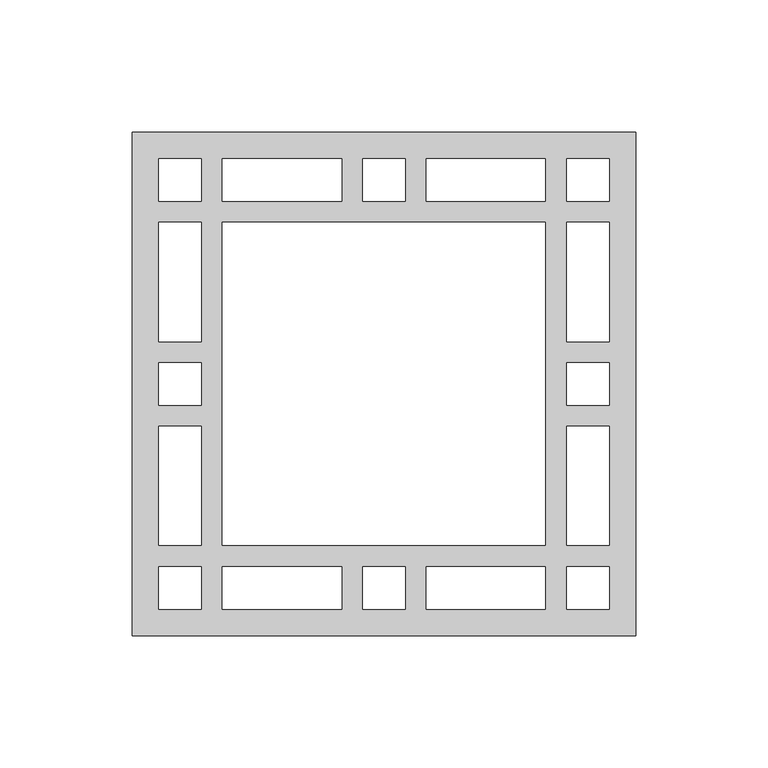
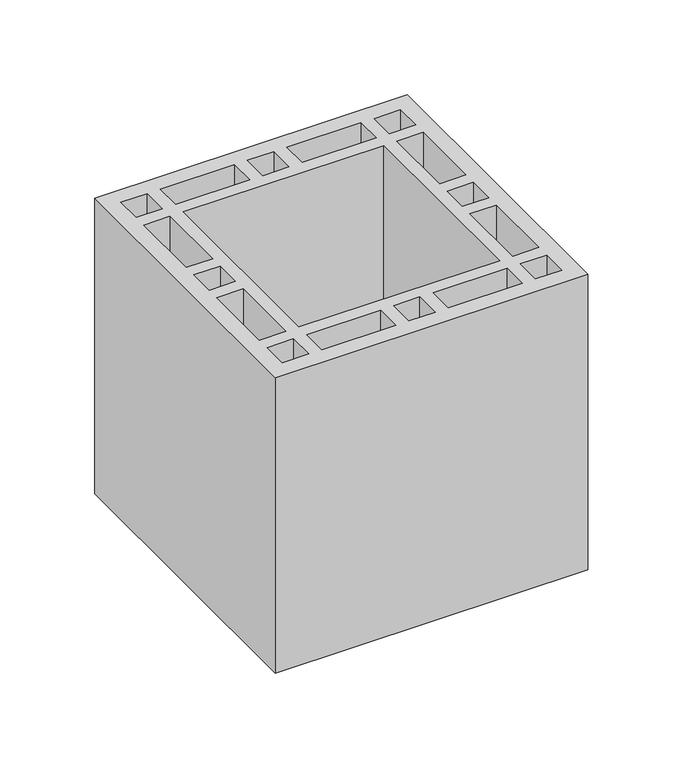
"""IFC4 building model written with IfcOpenShell, lengths in millimetres: proxy geometry."""

from ifc_helpers import new_model, si_unit, origin, origin_with_axes, place, context, project, spatial, polyline, outline, extrude, source, transform, mapped, element, save


def generic_models_a406313e(model_context):
    return source(origin(), model_context, "Body", "SweptSolid", [
        extrude(outline(polyline([(190.0, 0.0), (0.0, 0.0), (0.0, 190.0), (190.0, 190.0), (190.0, 0.0)]), holes=[polyline([(164.0, 10.0), (180.0, 10.0), (180.0, 26.0), (164.0, 26.0), (164.0, 10.0)]), polyline([(26.0, 10.0), (26.0, 26.0), (10.0, 26.0), (10.0, 10.0), (26.0, 10.0)]), polyline([(164.0, 180.0), (164.0, 164.0), (180.0, 164.0), (180.0, 180.0), (164.0, 180.0)]), polyline([(26.0, 180.0), (10.0, 180.0), (10.0, 164.0), (26.0, 164.0), (26.0, 180.0)]), polyline([(164.0, 34.0), (180.0, 34.0), (180.0, 79.0), (164.0, 79.0), (164.0, 34.0)]), polyline([(164.0, 87.0), (180.0, 87.0), (180.0, 103.0), (164.0, 103.0), (164.0, 87.0)]), polyline([(164.0, 111.0), (180.0, 111.0), (180.0, 156.0), (164.0, 156.0), (164.0, 111.0)]), polyline([(26.0, 34.0), (26.0, 79.0), (10.0, 79.0), (10.0, 34.0), (26.0, 34.0)]), polyline([(26.0, 87.0), (26.0, 103.0), (10.0, 103.0), (10.0, 87.0), (26.0, 87.0)]), polyline([(26.0, 111.0), (26.0, 156.0), (10.0, 156.0), (10.0, 111.0), (26.0, 111.0)]), polyline([(156.0, 26.0), (111.0, 26.0), (111.0, 10.0), (156.0, 10.0), (156.0, 26.0)]), polyline([(103.0, 26.0), (87.0, 26.0), (87.0, 10.0), (103.0, 10.0), (103.0, 26.0)]), polyline([(79.0, 26.0), (34.0, 26.0), (34.0, 10.0), (79.0, 10.0), (79.0, 26.0)]), polyline([(156.0, 164.0), (156.0, 180.0), (111.0, 180.0), (111.0, 164.0), (156.0, 164.0)]), polyline([(103.0, 164.0), (103.0, 180.0), (87.0, 180.0), (87.0, 164.0), (103.0, 164.0)]), polyline([(79.0, 164.0), (79.0, 180.0), (34.0, 180.0), (34.0, 164.0), (79.0, 164.0)]), polyline([(156.0, 156.0), (34.0, 156.0), (34.0, 34.0), (156.0, 34.0), (156.0, 156.0)])]), origin_with_axes(), (0.0, 0.0, 1.0), 190.0),
    ])


if __name__ == "__main__":
    model = new_model("IFC4")
    model_context = context("Model", 3, world=origin())
    ifc_project = project(units=[si_unit("LENGTHUNIT", "METRE", prefix="MILLI")], contexts=[model_context])
    site = spatial("IfcSite", under=ifc_project)
    building = spatial("IfcBuilding", under=site)
    placement = place(None, origin())
    generic_models_shape = generic_models_a406313e(model_context)
    element("IfcBuildingElementProxy", 1, Name="Generic Models", at=placement, inside=building, context=model_context, shape_type="MappedRepresentation", body=[
        mapped(generic_models_shape, transform((0.0, 0.0, 0.0), x_axis=(1.0, 0.0, 0.0), y_axis=(0.0, 1.0, 0.0), z_axis=(0.0, 0.0, 1.0))),
    ])
    save(model, "model.ifc")
